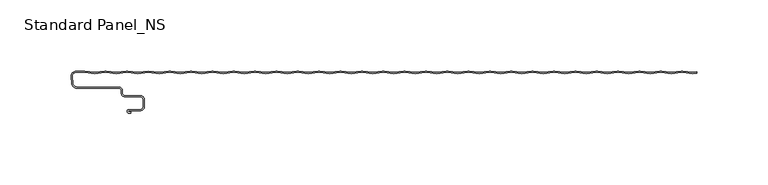
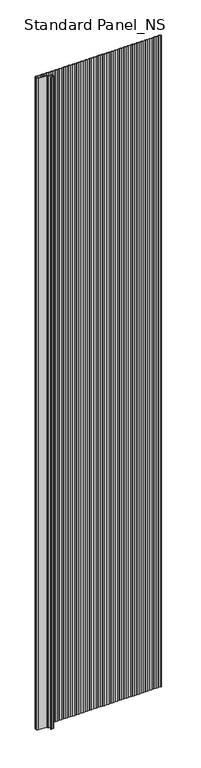
"""IFC4 building model written with IfcOpenShell, lengths in millimetres: proxy geometry, Standard Panel_NS."""

from ifc_helpers import new_model, si_unit, point, frame_2d, origin, origin_with_axes, place, context, project, spatial, polyline, circle_curve, trimmed, segment, composite_curve, outline, extrude, source, transform, mapped, element, save


def standard_panel_ns_78d866f9(model_context):
    return source(origin(), model_context, "Body", "SweptSolid", [
        extrude(outline(composite_curve([segment(polyline([(200.9757266, 68.2311894), (193.9420689, 69.1690104)]), True, "CONTINUOUS"), segment(trimmed(circle_curve(frame_2d((193.4654854, 65.5946345)), 3.6060082), [point((193.9420689, 69.1690104))], [point((192.9889019, 69.1690104))], True, "CARTESIAN"), True, "CONTINUOUS"), segment(polyline([(192.9889019, 69.1690104), (185.9552442, 68.2311894), (178.9215864, 69.1690104)]), True, "CONTINUOUS"), segment(trimmed(circle_curve(frame_2d((178.445003, 65.5946345)), 3.6060082), [point((178.9215864, 69.1690104))], [point((177.9684195, 69.1690104))], True, "CARTESIAN"), True, "CONTINUOUS"), segment(polyline([(177.9684195, 69.1690104), (170.9347618, 68.2311894), (163.901104, 69.1690104)]), True, "CONTINUOUS"), segment(trimmed(circle_curve(frame_2d((163.4245205, 65.5946345)), 3.6060082), [point((163.901104, 69.1690104))], [point((162.9479371, 69.1690104))], True, "CARTESIAN"), True, "CONTINUOUS"), segment(polyline([(162.9479371, 69.1690104), (155.9142793, 68.2311894), (148.8806215, 69.1690104)]), True, "CONTINUOUS"), segment(trimmed(circle_curve(frame_2d((148.4040381, 65.5946345)), 3.6060082), [point((148.8806215, 69.1690104))], [point((147.9274546, 69.1690104))], True, "CARTESIAN"), True, "CONTINUOUS"), segment(polyline([(147.9274546, 69.1690104), (140.8937969, 68.2311894), (133.8601391, 69.1690104)]), True, "CONTINUOUS"), segment(trimmed(circle_curve(frame_2d((133.3835556, 65.5946345)), 3.6060082), [point((133.8601391, 69.1690104))], [point((132.9069722, 69.1690104))], True, "CARTESIAN"), True, "CONTINUOUS"), segment(polyline([(132.9069722, 69.1690104), (125.8733144, 68.2311894), (118.8396566, 69.1690104)]), True, "CONTINUOUS"), segment(trimmed(circle_curve(frame_2d((118.3630732, 65.5946345)), 3.6060082), [point((118.8396566, 69.1690104))], [point((117.8864897, 69.1690104))], True, "CARTESIAN"), True, "CONTINUOUS"), segment(polyline([(117.8864897, 69.1690104), (110.852832, 68.2311894), (103.8191742, 69.1690104)]), True, "CONTINUOUS"), segment(trimmed(circle_curve(frame_2d((103.3425907, 65.5946345)), 3.6060082), [point((103.8191742, 69.1690104))], [point((102.8660073, 69.1690104))], True, "CARTESIAN"), True, "CONTINUOUS"), segment(polyline([(102.8660073, 69.1690104), (95.8323495, 68.2311894), (88.7986918, 69.1690104)]), True, "CONTINUOUS"), segment(trimmed(circle_curve(frame_2d((88.3221083, 65.5946345)), 3.6060082), [point((88.7986918, 69.1690104))], [point((87.8455248, 69.1690104))], True, "CARTESIAN"), True, "CONTINUOUS"), segment(polyline([(87.8455248, 69.1690104), (80.8118671, 68.2311894), (73.7782093, 69.1690104)]), True, "CONTINUOUS"), segment(trimmed(circle_curve(frame_2d((73.3016259, 65.5946345)), 3.6060082), [point((73.7782093, 69.1690104))], [point((72.8250424, 69.1690104))], True, "CARTESIAN"), True, "CONTINUOUS"), segment(polyline([(72.8250424, 69.1690104), (65.7913846, 68.2311894), (58.7577269, 69.1690104)]), True, "CONTINUOUS"), segment(trimmed(circle_curve(frame_2d((58.2811434, 65.5946345)), 3.6060082), [point((58.7577269, 69.1690104))], [point((57.80456, 69.1690104))], True, "CARTESIAN"), True, "CONTINUOUS"), segment(polyline([(57.80456, 69.1690104), (50.7709022, 68.2311894), (43.7372444, 69.1690104)]), True, "CONTINUOUS"), segment(trimmed(circle_curve(frame_2d((43.260661, 65.5946345)), 3.6060082), [point((43.7372444, 69.1690104))], [point((42.7840775, 69.1690104))], True, "CARTESIAN"), True, "CONTINUOUS"), segment(polyline([(42.7840775, 69.1690104), (35.7504198, 68.2311894), (28.716762, 69.1690104)]), True, "CONTINUOUS"), segment(trimmed(circle_curve(frame_2d((28.2401785, 65.5946345)), 3.6060082), [point((28.716762, 69.1690104))], [point((27.7635951, 69.1690104))], True, "CARTESIAN"), True, "CONTINUOUS"), segment(polyline([(27.7635951, 69.1690104), (20.7299373, 68.2311894), (13.6962795, 69.1690104)]), True, "CONTINUOUS"), segment(trimmed(circle_curve(frame_2d((13.2196961, 65.5946345)), 3.6060082), [point((13.6962795, 69.1690104))], [point((12.7431126, 69.1690104))], True, "CARTESIAN"), True, "CONTINUOUS"), segment(polyline([(12.7431126, 69.1690104), (5.7094549, 68.2311894), (-1.3242029, 69.1690104)]), True, "CONTINUOUS"), segment(trimmed(circle_curve(frame_2d((-1.8007864, 65.5946345)), 3.6060082), [point((-1.3242029, 69.1690104))], [point((-2.2773698, 69.1690104))], True, "CARTESIAN"), True, "CONTINUOUS"), segment(polyline([(-2.2773698, 69.1690104), (-9.3110276, 68.2311894), (-16.3446854, 69.1690104)]), True, "CONTINUOUS"), segment(trimmed(circle_curve(frame_2d((-16.8212688, 65.5946345)), 3.6060082), [point((-16.3446854, 69.1690104))], [point((-17.2978523, 69.1690104))], True, "CARTESIAN"), True, "CONTINUOUS"), segment(polyline([(-17.2978523, 69.1690104), (-24.33151, 68.2311894), (-31.3651678, 69.1690104)]), True, "CONTINUOUS"), segment(trimmed(circle_curve(frame_2d((-31.8417513, 65.5946345)), 3.6060082), [point((-31.3651678, 69.1690104))], [point((-32.3183347, 69.1690104))], True, "CARTESIAN"), True, "CONTINUOUS"), segment(polyline([(-32.3183347, 69.1690104), (-39.3519925, 68.2311894), (-46.3856502, 69.1690104)]), True, "CONTINUOUS"), segment(trimmed(circle_curve(frame_2d((-46.8622337, 65.5946345)), 3.6060082), [point((-46.3856502, 69.1690104))], [point((-47.3388172, 69.1690104))], True, "CARTESIAN"), True, "CONTINUOUS"), segment(polyline([(-47.3388172, 69.1690104), (-54.3724749, 68.2311894), (-61.4061327, 69.1690104)]), True, "CONTINUOUS"), segment(trimmed(circle_curve(frame_2d((-61.8827161, 65.5946345)), 3.6060082), [point((-61.4061327, 69.1690104))], [point((-62.3592996, 69.1690104))], True, "CARTESIAN"), True, "CONTINUOUS"), segment(polyline([(-62.3592996, 69.1690104), (-69.3929573, 68.2311894), (-76.4266151, 69.1690104)]), True, "CONTINUOUS"), segment(trimmed(circle_curve(frame_2d((-76.9031986, 65.5946345)), 3.6060082), [point((-76.4266151, 69.1690104))], [point((-77.379782, 69.1690104))], True, "CARTESIAN"), True, "CONTINUOUS"), segment(polyline([(-77.379782, 69.1690104), (-84.4134398, 68.2311894), (-91.4470976, 69.1690104)]), True, "CONTINUOUS"), segment(trimmed(circle_curve(frame_2d((-91.923681, 65.5946345)), 3.6060082), [point((-91.4470976, 69.1690104))], [point((-92.4002645, 69.1690104))], True, "CARTESIAN"), True, "CONTINUOUS"), segment(polyline([(-92.4002645, 69.1690104), (-99.4339222, 68.2311894), (-106.46758, 69.1690104)]), True, "CONTINUOUS"), segment(trimmed(circle_curve(frame_2d((-106.9441635, 65.5946345)), 3.6060082), [point((-106.46758, 69.1690104))], [point((-107.4207469, 69.1690104))], True, "CARTESIAN"), True, "CONTINUOUS"), segment(polyline([(-107.4207469, 69.1690104), (-114.4544047, 68.2311894), (-121.4880625, 69.1690104)]), True, "CONTINUOUS"), segment(trimmed(circle_curve(frame_2d((-121.9646459, 65.5946345)), 3.6060082), [point((-121.4880625, 69.1690104))], [point((-122.4412294, 69.1690104))], True, "CARTESIAN"), True, "CONTINUOUS"), segment(polyline([(-122.4412294, 69.1690104), (-129.4748871, 68.2311894), (-136.5085449, 69.1690104)]), True, "CONTINUOUS"), segment(trimmed(circle_curve(frame_2d((-136.9851284, 65.5946345)), 3.6060082), [point((-136.5085449, 69.1690104))], [point((-137.4617118, 69.1690104))], True, "CARTESIAN"), True, "CONTINUOUS"), segment(polyline([(-137.4617118, 69.1690104), (-144.4953696, 68.2311894), (-151.5290274, 69.1690104)]), True, "CONTINUOUS"), segment(trimmed(circle_curve(frame_2d((-152.0056108, 65.5946345)), 3.6060082), [point((-151.5290274, 69.1690104))], [point((-152.4821943, 69.1690104))], True, "CARTESIAN"), True, "CONTINUOUS"), segment(polyline([(-152.4821943, 69.1690104), (-159.515852, 68.2311894), (-166.5495098, 69.1690104)]), True, "CONTINUOUS"), segment(trimmed(circle_curve(frame_2d((-167.0260933, 65.5946345)), 3.6060082), [point((-166.5495098, 69.1690104))], [point((-167.5026767, 69.1690104))], True, "CARTESIAN"), True, "CONTINUOUS"), segment(polyline([(-167.5026767, 69.1690104), (-174.5363345, 68.2311894), (-182.0465757, 69.2325549), (-189.5568169, 68.2311894), (-196.5904747, 69.1690104)]), True, "CONTINUOUS"), segment(trimmed(circle_curve(frame_2d((-197.0670581, 65.5946345)), 3.6060082), [point((-196.5904747, 69.1690104))], [point((-197.5436416, 69.1690104))], True, "CARTESIAN"), True, "CONTINUOUS"), segment(polyline([(-197.5436416, 69.1690104), (-204.5772994, 68.2311894), (-211.6109571, 69.1690104)]), True, "CONTINUOUS"), segment(trimmed(circle_curve(frame_2d((-212.0875406, 65.5946345)), 3.6060082), [point((-211.6109571, 69.1690104))], [point((-212.564124, 69.1690104))], True, "CARTESIAN"), True, "CONTINUOUS"), segment(polyline([(-212.564124, 69.1690104), (-219.5977818, 68.2311894), (-226.8685673, 69.2006275), (-232.8591806, 69.2006275)]), True, "CONTINUOUS"), segment(trimmed(circle_curve(frame_2d((-232.8591806, 66.4402183)), 2.7604092), [point((-232.8591806, 69.2006275))], [point((-235.6090836, 66.1996106))], True, "CARTESIAN"), True, "CONTINUOUS"), segment(polyline([(-235.6090836, 66.1996106), (-235.1937635, 61.4529208)]), True, "CONTINUOUS"), segment(trimmed(circle_curve(frame_2d((-232.3045986, 61.7057134)), 2.9002032), [point((-235.1937635, 61.4529208))], [point((-232.3045986, 58.8055103))], True, "CARTESIAN"), True, "CONTINUOUS"), segment(polyline([(-232.3045986, 58.8055103), (-202.67533, 58.8055103)]), True, "CONTINUOUS"), segment(trimmed(circle_curve(frame_2d((-202.67533, 56.4057064)), 2.3998039), [point((-202.67533, 58.8055103))], [point((-200.2755261, 56.4057064))], False, "CARTESIAN"), True, "CONTINUOUS"), segment(polyline([(-200.2755261, 56.4057064), (-200.2755261, 54.4057064)]), True, "CONTINUOUS"), segment(trimmed(circle_curve(frame_2d((-198.67533, 54.4057064)), 1.6001961), [point((-200.2755261, 54.4057064))], [point((-198.67533, 52.8055103))], True, "CARTESIAN"), True, "CONTINUOUS"), segment(polyline([(-198.67533, 52.8055103), (-188.0058392, 52.8055103)]), True, "CONTINUOUS"), segment(trimmed(circle_curve(frame_2d((-188.0058392, 49.6557064)), 3.1498039), [point((-188.0058392, 52.8055103))], [point((-184.8560353, 49.6557064))], False, "CARTESIAN"), True, "CONTINUOUS"), segment(polyline([(-184.8560353, 49.6557064), (-184.8560353, 45.2557048)]), True, "CONTINUOUS"), segment(trimmed(circle_curve(frame_2d((-188.0058392, 45.2557048)), 3.1498039), [point((-184.8560353, 45.2557048))], [point((-188.0058392, 42.1059009))], False, "CARTESIAN"), True, "CONTINUOUS"), segment(polyline([(-188.0058392, 42.1059009), (-195.7650669, 42.1059009)]), True, "CONTINUOUS"), segment(trimmed(circle_curve(frame_2d((-195.7650669, 41.7057056)), 0.4001953), [point((-195.7650669, 42.1059009))], [point((-195.7650669, 41.3055103))], True, "CARTESIAN"), True, "CONTINUOUS"), segment(polyline([(-195.7650669, 41.3055103), (-194.3950677, 41.3055103), (-194.3950677, 40.5055103), (-195.7650669, 40.5055103)]), True, "CONTINUOUS"), segment(trimmed(circle_curve(frame_2d((-195.7650669, 41.7057056)), 1.2001953), [point((-195.7650669, 40.5055103))], [point((-195.7650669, 42.9059009))], False, "CARTESIAN"), True, "CONTINUOUS"), segment(polyline([(-195.7650669, 42.9059009), (-188.0058392, 42.9059009)]), True, "CONTINUOUS"), segment(trimmed(circle_curve(frame_2d((-188.0058392, 45.2557048)), 2.3498039), [point((-188.0058392, 42.9059009))], [point((-185.6560353, 45.2557048))], True, "CARTESIAN"), True, "CONTINUOUS"), segment(polyline([(-185.6560353, 45.2557048), (-185.6560353, 49.6557064)]), True, "CONTINUOUS"), segment(trimmed(circle_curve(frame_2d((-188.0058392, 49.6557064)), 2.3498039), [point((-185.6560353, 49.6557064))], [point((-188.0058392, 52.0055103))], True, "CARTESIAN"), True, "CONTINUOUS"), segment(polyline([(-188.0058392, 52.0055103), (-198.67533, 52.0055103)]), True, "CONTINUOUS"), segment(trimmed(circle_curve(frame_2d((-198.67533, 54.4057064)), 2.4001961), [point((-198.67533, 52.0055103))], [point((-201.0755261, 54.4057064))], False, "CARTESIAN"), True, "CONTINUOUS"), segment(polyline([(-201.0755261, 54.4057064), (-201.0755261, 56.4057064)]), True, "CONTINUOUS"), segment(trimmed(circle_curve(frame_2d((-202.67533, 56.4057064)), 1.5998039), [point((-201.0755261, 56.4057064))], [point((-202.67533, 58.0055103))], True, "CARTESIAN"), True, "CONTINUOUS"), segment(polyline([(-202.67533, 58.0055103), (-232.3045986, 58.0055103)]), True, "CONTINUOUS"), segment(trimmed(circle_curve(frame_2d((-232.3045986, 61.7057134)), 3.7002032), [point((-232.3045986, 58.0055103))], [point((-235.9907187, 61.3831898))], False, "CARTESIAN"), True, "CONTINUOUS"), segment(polyline([(-235.9907187, 61.3831898), (-236.4060388, 66.1298796)]), True, "CONTINUOUS"), segment(trimmed(circle_curve(frame_2d((-232.8591806, 66.4402183)), 3.5604092), [point((-236.4060388, 66.1298796))], [point((-232.8591806, 70.0006275))], False, "CARTESIAN"), True, "CONTINUOUS"), segment(polyline([(-232.8591806, 70.0006275), (-226.8154689, 70.0006275), (-219.5977818, 69.0382692), (-212.669855, 69.9619928)]), True, "CONTINUOUS"), segment(trimmed(circle_curve(frame_2d((-212.0875406, 65.5946345)), 4.4060082), [point((-212.669855, 69.9619928))], [point((-211.5052261, 69.9619928))], False, "CARTESIAN"), True, "CONTINUOUS"), segment(polyline([(-211.5052261, 69.9619928), (-204.5772994, 69.0382692), (-197.6493726, 69.9619928)]), True, "CONTINUOUS"), segment(trimmed(circle_curve(frame_2d((-197.0670581, 65.5946345)), 4.4060082), [point((-197.6493726, 69.9619928))], [point((-196.4847437, 69.9619928))], False, "CARTESIAN"), True, "CONTINUOUS"), segment(polyline([(-196.4847437, 69.9619928), (-189.5568169, 69.0382692), (-182.0465757, 70.0396347), (-174.5363345, 69.0382692), (-167.6084077, 69.9619928)]), True, "CONTINUOUS"), segment(trimmed(circle_curve(frame_2d((-167.0260933, 65.5946345)), 4.4060082), [point((-167.6084077, 69.9619928))], [point((-166.4437788, 69.9619928))], False, "CARTESIAN"), True, "CONTINUOUS"), segment(polyline([(-166.4437788, 69.9619928), (-159.515852, 69.0382692), (-152.5879252, 69.9619928)]), True, "CONTINUOUS"), segment(trimmed(circle_curve(frame_2d((-152.0056108, 65.5946345)), 4.4060082), [point((-152.5879252, 69.9619928))], [point((-151.4232964, 69.9619928))], False, "CARTESIAN"), True, "CONTINUOUS"), segment(polyline([(-151.4232964, 69.9619928), (-144.4953696, 69.0382692), (-137.5674428, 69.9619928)]), True, "CONTINUOUS"), segment(trimmed(circle_curve(frame_2d((-136.9851284, 65.5946345)), 4.4060082), [point((-137.5674428, 69.9619928))], [point((-136.4028139, 69.9619928))], False, "CARTESIAN"), True, "CONTINUOUS"), segment(polyline([(-136.4028139, 69.9619928), (-129.4748871, 69.0382692), (-122.5469604, 69.9619928)]), True, "CONTINUOUS"), segment(trimmed(circle_curve(frame_2d((-121.9646459, 65.5946345)), 4.4060082), [point((-122.5469604, 69.9619928))], [point((-121.3823315, 69.9619928))], False, "CARTESIAN"), True, "CONTINUOUS"), segment(polyline([(-121.3823315, 69.9619928), (-114.4544047, 69.0382692), (-107.5264779, 69.9619928)]), True, "CONTINUOUS"), segment(trimmed(circle_curve(frame_2d((-106.9441635, 65.5946345)), 4.4060082), [point((-107.5264779, 69.9619928))], [point((-106.361849, 69.9619928))], False, "CARTESIAN"), True, "CONTINUOUS"), segment(polyline([(-106.361849, 69.9619928), (-99.4339222, 69.0382692), (-92.5059955, 69.9619928)]), True, "CONTINUOUS"), segment(trimmed(circle_curve(frame_2d((-91.923681, 65.5946345)), 4.4060082), [point((-92.5059955, 69.9619928))], [point((-91.3413666, 69.9619928))], False, "CARTESIAN"), True, "CONTINUOUS"), segment(polyline([(-91.3413666, 69.9619928), (-84.4134398, 69.0382692), (-77.485513, 69.9619928)]), True, "CONTINUOUS"), segment(trimmed(circle_curve(frame_2d((-76.9031986, 65.5946345)), 4.4060082), [point((-77.485513, 69.9619928))], [point((-76.3208842, 69.9619928))], False, "CARTESIAN"), True, "CONTINUOUS"), segment(polyline([(-76.3208842, 69.9619928), (-69.3929573, 69.0382692), (-62.4650306, 69.9619928)]), True, "CONTINUOUS"), segment(trimmed(circle_curve(frame_2d((-61.8827161, 65.5946345)), 4.4060082), [point((-62.4650306, 69.9619928))], [point((-61.3004017, 69.9619928))], False, "CARTESIAN"), True, "CONTINUOUS"), segment(polyline([(-61.3004017, 69.9619928), (-54.3724749, 69.0382692), (-47.4445481, 69.9619928)]), True, "CONTINUOUS"), segment(trimmed(circle_curve(frame_2d((-46.8622337, 65.5946345)), 4.4060082), [point((-47.4445481, 69.9619928))], [point((-46.2799193, 69.9619928))], False, "CARTESIAN"), True, "CONTINUOUS"), segment(polyline([(-46.2799193, 69.9619928), (-39.3519925, 69.0382692), (-32.4240657, 69.9619928)]), True, "CONTINUOUS"), segment(trimmed(circle_curve(frame_2d((-31.8417513, 65.5946345)), 4.4060082), [point((-32.4240657, 69.9619928))], [point((-31.2594368, 69.9619928))], False, "CARTESIAN"), True, "CONTINUOUS"), segment(polyline([(-31.2594368, 69.9619928), (-24.33151, 69.0382692), (-17.4035832, 69.9619928)]), True, "CONTINUOUS"), segment(trimmed(circle_curve(frame_2d((-16.8212688, 65.5946345)), 4.4060082), [point((-17.4035832, 69.9619928))], [point((-16.2389544, 69.9619928))], False, "CARTESIAN"), True, "CONTINUOUS"), segment(polyline([(-16.2389544, 69.9619928), (-9.3110276, 69.0382692), (-2.3831008, 69.9619928)]), True, "CONTINUOUS"), segment(trimmed(circle_curve(frame_2d((-1.8007864, 65.5946345)), 4.4060082), [point((-2.3831008, 69.9619928))], [point((-1.2184719, 69.9619928))], False, "CARTESIAN"), True, "CONTINUOUS"), segment(polyline([(-1.2184719, 69.9619928), (5.7094549, 69.0382692), (12.6373816, 69.9619928)]), True, "CONTINUOUS"), segment(trimmed(circle_curve(frame_2d((13.2196961, 65.5946345)), 4.4060082), [point((12.6373816, 69.9619928))], [point((13.8020105, 69.9619928))], False, "CARTESIAN"), True, "CONTINUOUS"), segment(polyline([(13.8020105, 69.9619928), (20.7299373, 69.0382692), (27.6578641, 69.9619928)]), True, "CONTINUOUS"), segment(trimmed(circle_curve(frame_2d((28.2401785, 65.5946345)), 4.4060082), [point((27.6578641, 69.9619928))], [point((28.822493, 69.9619928))], False, "CARTESIAN"), True, "CONTINUOUS"), segment(polyline([(28.822493, 69.9619928), (35.7504198, 69.0382692), (42.6783465, 69.9619928)]), True, "CONTINUOUS"), segment(trimmed(circle_curve(frame_2d((43.260661, 65.5946345)), 4.4060082), [point((42.6783465, 69.9619928))], [point((43.8429754, 69.9619928))], False, "CARTESIAN"), True, "CONTINUOUS"), segment(polyline([(43.8429754, 69.9619928), (50.7709022, 69.0382692), (57.698829, 69.9619928)]), True, "CONTINUOUS"), segment(trimmed(circle_curve(frame_2d((58.2811434, 65.5946345)), 4.4060082), [point((57.698829, 69.9619928))], [point((58.8634578, 69.9619928))], False, "CARTESIAN"), True, "CONTINUOUS"), segment(polyline([(58.8634578, 69.9619928), (65.7913846, 69.0382692), (72.7193114, 69.9619928)]), True, "CONTINUOUS"), segment(trimmed(circle_curve(frame_2d((73.3016259, 65.5946345)), 4.4060082), [point((72.7193114, 69.9619928))], [point((73.8839403, 69.9619928))], False, "CARTESIAN"), True, "CONTINUOUS"), segment(polyline([(73.8839403, 69.9619928), (80.8118671, 69.0382692), (87.7397939, 69.9619928)]), True, "CONTINUOUS"), segment(trimmed(circle_curve(frame_2d((88.3221083, 65.5946345)), 4.4060082), [point((87.7397939, 69.9619928))], [point((88.9044227, 69.9619928))], False, "CARTESIAN"), True, "CONTINUOUS"), segment(polyline([(88.9044227, 69.9619928), (95.8323495, 69.0382692), (102.7602763, 69.9619928)]), True, "CONTINUOUS"), segment(trimmed(circle_curve(frame_2d((103.3425907, 65.5946345)), 4.4060082), [point((102.7602763, 69.9619928))], [point((103.9249052, 69.9619928))], False, "CARTESIAN"), True, "CONTINUOUS"), segment(polyline([(103.9249052, 69.9619928), (110.852832, 69.0382692), (117.7807588, 69.9619928)]), True, "CONTINUOUS"), segment(trimmed(circle_curve(frame_2d((118.3630732, 65.5946345)), 4.4060082), [point((117.7807588, 69.9619928))], [point((118.9453876, 69.9619928))], False, "CARTESIAN"), True, "CONTINUOUS"), segment(polyline([(118.9453876, 69.9619928), (125.8733144, 69.0382692), (132.8012412, 69.9619928)]), True, "CONTINUOUS"), segment(trimmed(circle_curve(frame_2d((133.3835556, 65.5946345)), 4.4060082), [point((132.8012412, 69.9619928))], [point((133.9658701, 69.9619928))], False, "CARTESIAN"), True, "CONTINUOUS"), segment(polyline([(133.9658701, 69.9619928), (140.8937969, 69.0382692), (147.8217236, 69.9619928)]), True, "CONTINUOUS"), segment(trimmed(circle_curve(frame_2d((148.4040381, 65.5946345)), 4.4060082), [point((147.8217236, 69.9619928))], [point((148.9863525, 69.9619928))], False, "CARTESIAN"), True, "CONTINUOUS"), segment(polyline([(148.9863525, 69.9619928), (155.9142793, 69.0382692), (162.8422061, 69.9619928)]), True, "CONTINUOUS"), segment(trimmed(circle_curve(frame_2d((163.4245205, 65.5946345)), 4.4060082), [point((162.8422061, 69.9619928))], [point((164.006835, 69.9619928))], False, "CARTESIAN"), True, "CONTINUOUS"), segment(polyline([(164.006835, 69.9619928), (170.9347618, 69.0382692), (177.8626885, 69.9619928)]), True, "CONTINUOUS"), segment(trimmed(circle_curve(frame_2d((178.445003, 65.5946345)), 4.4060082), [point((177.8626885, 69.9619928))], [point((179.0273174, 69.9619928))], False, "CARTESIAN"), True, "CONTINUOUS"), segment(polyline([(179.0273174, 69.9619928), (185.9552442, 69.0382692), (192.883171, 69.9619928)]), True, "CONTINUOUS"), segment(trimmed(circle_curve(frame_2d((193.4654854, 65.5946345)), 4.4060082), [point((192.883171, 69.9619928))], [point((194.0477998, 69.9619928))], False, "CARTESIAN"), True, "CONTINUOUS"), segment(polyline([(194.0477998, 69.9619928), (200.9757266, 69.0382692), (203.9042607, 69.4287404), (203.9042607, 68.6216606), (200.9757266, 68.2311894)]), True, "CONTINUOUS")], self_intersect=False)), origin_with_axes(), (0.0, 0.0, 1.0), 2400.0),
    ])


if __name__ == "__main__":
    model = new_model("IFC4")
    model_context = context("Model", 3, world=origin())
    ifc_project = project(units=[si_unit("LENGTHUNIT", "METRE", prefix="MILLI")], contexts=[model_context])
    site = spatial("IfcSite", under=ifc_project)
    building = spatial("IfcBuilding", under=site)
    placement = place(None, origin())
    standard_panel_ns_shape = standard_panel_ns_78d866f9(model_context)
    element("IfcBuildingElementProxy", 1, Name="Standard Panel_NS", ObjectType="Standard Panel_NS", at=placement, inside=building, context=model_context, shape_type="MappedRepresentation", body=[
        mapped(standard_panel_ns_shape, transform((0.0, 0.0, 0.0), x_axis=(1.0, 0.0, 0.0), y_axis=(0.0, 1.0, 0.0), z_axis=(0.0, 0.0, 1.0))),
    ])
    save(model, "model.ifc")
